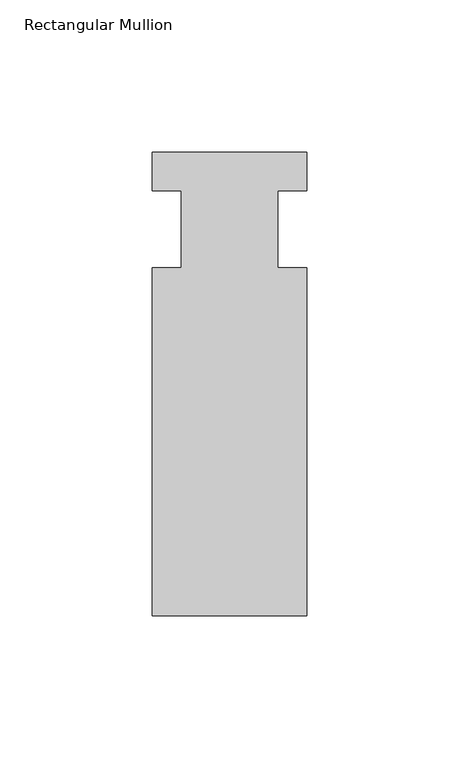
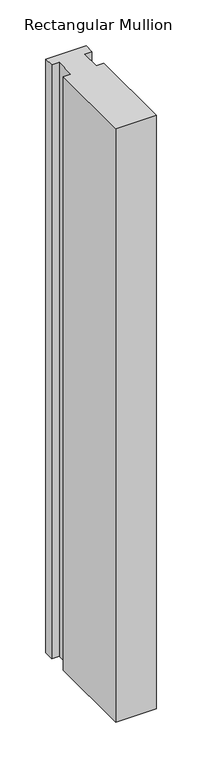
"""IFC4 building model written with IfcOpenShell, lengths in millimetres: member geometry, Rectangular Mullion."""

import ifcopenshell
import ifcopenshell.guid

model = None  # the IFC model being written
_history = None  # IfcOwnerHistory: only IFC2X3 demands one
_inside = {}  # id of a spatial element -> (the spatial element, [elements in it])
_under = {}  # id of a project, library or spatial element -> (it, [spatial elements below it])
_declared = {}  # id of a project -> (the project, [libraries it declares])
_typed = {}  # id of a type object -> (the type object, [elements of that type])
_made_of = {}  # id of a material, layer set ... -> (it, [elements and type objects made of it])


def new_model(schema):
    """Start an empty IFC model of exactly this schema.

    Asked for "IFC4X3", IfcOpenShell would pick the latest addendum, in which some entities
    have other attributes; the version numbers below select the first issue.
    IFC2X3 requires an IfcOwnerHistory on every rooted entity: one is made here for all.
    """
    global model, _history
    if schema == "IFC4X3":
        model = ifcopenshell.file(schema_version=(4, 3, 0, 0))
    else:
        model = ifcopenshell.file(schema=schema)
    _inside.clear()
    _under.clear()
    _declared.clear()
    _typed.clear()
    _made_of.clear()
    _history = None
    if model.schema == "IFC2X3":
        org = make("IfcOrganization", Name="unknown")
        user = make(
            "IfcPersonAndOrganization",
            ThePerson=make("IfcPerson", FamilyName="unknown"),
            TheOrganization=org,
        )
        app = make(
            "IfcApplication",
            ApplicationDeveloper=org,
            Version="unknown",
            ApplicationFullName="unknown",
            ApplicationIdentifier="unknown",
        )
        _history = make(
            "IfcOwnerHistory",
            OwningUser=user,
            OwningApplication=app,
            ChangeAction="ADDED",
            CreationDate=0,
        )
    return model


def make(cls, **values):
    """One entity of the class cls with the attributes given. An attribute that is None is left unset."""
    return model.create_entity(
        cls, **{name: value for name, value in values.items() if value is not None}
    )


def rooted(cls, **values):
    """An entity with a GlobalId (a new one), such as an element, a storey or a relation."""
    return make(cls, GlobalId=ifcopenshell.guid.new(), OwnerHistory=_history, **values)


def si_unit(unit_type, name, prefix=None):
    """IfcSIUnit, for example si_unit("LENGTHUNIT", "METRE", prefix="MILLI")."""
    return make("IfcSIUnit", UnitType=unit_type, Prefix=prefix, Name=name)


def assignment(units):
    """IfcUnitAssignment: the units of a project."""
    return None if units is None else make("IfcUnitAssignment", Units=units)


def point(xyz):
    """IfcCartesianPoint."""
    return None if xyz is None else make("IfcCartesianPoint", Coordinates=xyz)


def direction(xyz):
    """IfcDirection."""
    return None if xyz is None else make("IfcDirection", DirectionRatios=xyz)


def frame(location, z_axis=None, x_axis=None):
    """IfcAxis2Placement3D, a coordinate frame: its origin and axes. An axis left out is left unset."""
    return make(
        "IfcAxis2Placement3D",
        Location=point(location),
        Axis=direction(z_axis),
        RefDirection=direction(x_axis),
    )


def origin():
    """The frame at (0, 0, 0) with its axes left unset."""
    return frame((0.0, 0.0, 0.0))


def place(relative_to, where):
    """IfcLocalPlacement: puts the frame where relative to a parent placement (None: the world)."""
    return make(
        "IfcLocalPlacement", PlacementRelTo=relative_to, RelativePlacement=where
    )


def context(
    kind, dimensions, precision=None, world=None, true_north=None, identifier=None
):
    """IfcGeometricRepresentationContext, for example the 3D "Model" context."""
    return make(
        "IfcGeometricRepresentationContext",
        ContextIdentifier=identifier,
        ContextType=kind,
        CoordinateSpaceDimension=dimensions,
        Precision=precision,
        WorldCoordinateSystem=world,
        TrueNorth=true_north,
    )


def project(units=None, contexts=None):
    """IfcProject with its units and contexts."""
    return rooted(
        "IfcProject",
        Name="project",
        RepresentationContexts=contexts,
        UnitsInContext=assignment(units),
    )


def spatial(cls, under=None, at=None, **own):
    """A site, building, storey or space (cls), placed at a placement, below another one or the project."""
    s = rooted(cls, ObjectPlacement=at, **own)
    if under is not None:
        _under.setdefault(under.id(), (under, []))[1].append(s)
    return s


def polyline(points):
    """IfcPolyline through the points."""
    return make("IfcPolyline", Points=[point(p) for p in points])


def outline(outer, holes=None, kind="AREA"):
    """IfcArbitraryClosedProfileDef: a profile drawn as a closed curve; with holes, ...WithVoids."""
    if holes is None:
        return make("IfcArbitraryClosedProfileDef", ProfileType=kind, OuterCurve=outer)
    return make(
        "IfcArbitraryProfileDefWithVoids",
        ProfileType=kind,
        OuterCurve=outer,
        InnerCurves=holes,
    )


def extrude(swept, where, along, depth):
    """IfcExtrudedAreaSolid: the profile swept, set in the frame where, extruded along a direction by depth."""
    return make(
        "IfcExtrudedAreaSolid",
        SweptArea=swept,
        Position=where,
        ExtrudedDirection=direction(along),
        Depth=depth,
    )


def shape(context_of_items, identifier, shape_type, items):
    """IfcShapeRepresentation: the items that make up one representation, for example the "Body"."""
    return make(
        "IfcShapeRepresentation",
        ContextOfItems=context_of_items,
        RepresentationIdentifier=identifier,
        RepresentationType=shape_type,
        Items=items,
    )


def source(mapping_origin, context_of_items, identifier, shape_type, items):
    """IfcRepresentationMap: a shape defined once, which mapped items show again and again."""
    return make(
        "IfcRepresentationMap",
        MappingOrigin=mapping_origin,
        MappedRepresentation=shape(context_of_items, identifier, shape_type, items),
    )


def transform(
    local_origin,
    x_axis=None,
    y_axis=None,
    z_axis=None,
    scale=None,
    scale2=None,
    scale3=None,
    uniform=True,
):
    """IfcCartesianTransformationOperator3D, or its non-uniform kind. x_axis, y_axis, z_axis: its Axis1, 2, 3."""
    if uniform:
        return make(
            "IfcCartesianTransformationOperator3D",
            Axis1=direction(x_axis),
            Axis2=direction(y_axis),
            LocalOrigin=point(local_origin),
            Scale=scale,
            Axis3=direction(z_axis),
        )
    return make(
        "IfcCartesianTransformationOperator3DnonUniform",
        Axis1=direction(x_axis),
        Axis2=direction(y_axis),
        LocalOrigin=point(local_origin),
        Scale=scale,
        Axis3=direction(z_axis),
        Scale2=scale2,
        Scale3=scale3,
    )


def mapped(mapping_source, mapping_target):
    """IfcMappedItem: shows the shape of a source again, moved by a transform."""
    return make(
        "IfcMappedItem", MappingSource=mapping_source, MappingTarget=mapping_target
    )


def made_of(thing, what):
    """Note that an element or type object is made of a material, layer set ...; save() writes the relation."""
    if what is not None:
        _made_of.setdefault(what.id(), (what, []))[1].append(thing)
    return thing


def element(
    cls,
    number,
    at=None,
    inside=None,
    cuts=None,
    type_object=None,
    material=None,
    context=None,
    identifier="Body",
    shape_type=None,
    held_by="IfcProductDefinitionShape",
    body=None,
    shapes=None,
    **own,
):
    """One element of the class cls, such as IfcWall. Its Tag is "e" and its number.

    at: its placement. inside: the storey or other place that contains it. cuts: it is an
    opening in that element (IfcRelVoidsElement). A single representation is given by context,
    identifier, shape_type and body (its items); several are given by shapes. held_by: the class
    of the entity that holds the representations. save() writes the other relations.
    """
    e = rooted(cls, Tag="e%d" % number, ObjectPlacement=at, **own)
    if body is not None:
        shapes = [shape(context, identifier, shape_type, body)]
    if shapes is not None:
        e.Representation = make(held_by, Representations=shapes)
    if inside is not None:
        _inside.setdefault(inside.id(), (inside, []))[1].append(e)
    if cuts is not None:
        rooted(
            "IfcRelVoidsElement", RelatingBuildingElement=cuts, RelatedOpeningElement=e
        )
    if type_object is not None:
        _typed.setdefault(type_object.id(), (type_object, []))[1].append(e)
    return made_of(e, material)


def aggregate(whole, parts):
    """IfcRelAggregates: a whole, such as a stair, and the parts it consists of."""
    return rooted("IfcRelAggregates", RelatingObject=whole, RelatedObjects=parts)


def save(model, path):
    """Write the relations noted so far, then the file.

    IfcRelAggregates (storeys below a building ...), IfcRelContainedInSpatialStructure (elements
    in a storey), IfcRelDefinesByType, IfcRelAssociatesMaterial and IfcRelDeclares: one each for
    every whole, place, type object, material and project.
    """
    for whole, parts in _under.values():
        aggregate(whole, parts)
    for where, things in _inside.values():
        rooted(
            "IfcRelContainedInSpatialStructure",
            RelatedElements=things,
            RelatingStructure=where,
        )
    for kind, things in _typed.values():
        rooted("IfcRelDefinesByType", RelatedObjects=things, RelatingType=kind)
    for what, things in _made_of.values():
        rooted("IfcRelAssociatesMaterial", RelatedObjects=things, RelatingMaterial=what)
    for by, libraries in _declared.values():
        rooted("IfcRelDeclares", RelatingContext=by, RelatedDefinitions=libraries)
    model.write(path)


def rectangular_mullion_02ac26fa(model_context):
    return source(origin(), model_context, "Body", "SweptSolid", [
        extrude(outline(polyline([(25.4, -139.7), (-25.4, -139.7), (-25.4, -25.4), (-15.875, -25.4), (-15.875, 0.0), (-25.4, 0.0), (-25.4, 12.7), (25.4, 12.7), (25.4, 0.0), (15.875, 0.0), (15.875, -25.4), (25.4, -25.4), (25.4, -139.7)])), frame((0.0, 0.0, -790.575), z_axis=(0.0, 0.0, 1.0), x_axis=(1.0, 0.0, 0.0)), (0.0, 0.0, 1.0), 790.575),
    ])


if __name__ == "__main__":
    model = new_model("IFC4")
    model_context = context("Model", 3, world=origin())
    ifc_project = project(units=[si_unit("LENGTHUNIT", "METRE", prefix="MILLI")], contexts=[model_context])
    site = spatial("IfcSite", under=ifc_project)
    building = spatial("IfcBuilding", under=site)
    placement = place(None, origin())
    rectangular_mullion_shape = rectangular_mullion_02ac26fa(model_context)
    element("IfcMember", 1, ObjectType="Rectangular Mullion", at=placement, inside=building, context=model_context, shape_type="MappedRepresentation", body=[
        mapped(rectangular_mullion_shape, transform((0.0, 0.0, 0.0), x_axis=(1.0, 0.0, 0.0), y_axis=(0.0, 1.0, 0.0), z_axis=(0.0, 0.0, 1.0))),
    ])
    save(model, "model.ifc")
